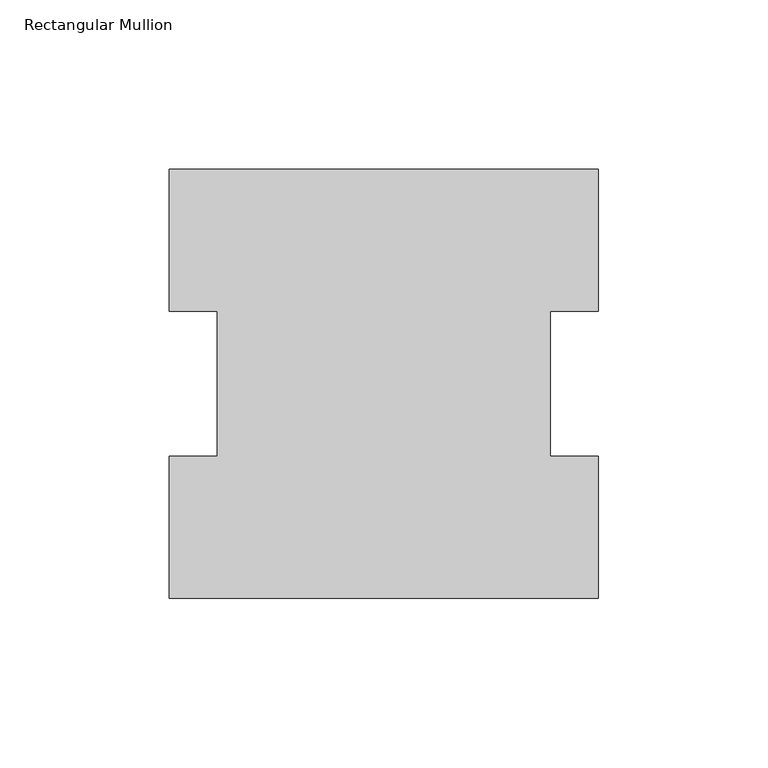
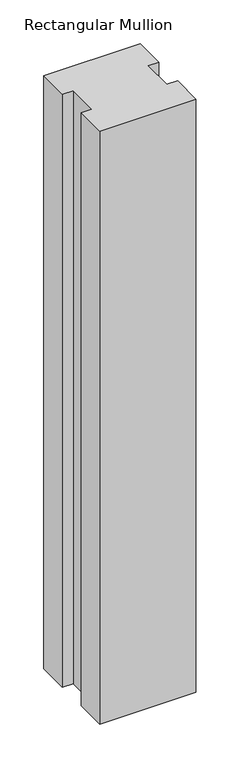
"""IFC4 building model written with IfcOpenShell, lengths in millimetres: member geometry, Rectangular Mullion."""

from ifc_helpers import new_model, si_unit, frame, origin, place, context, project, spatial, polyline, outline, extrude, source, transform, mapped, element, save


def rectangular_mullion_a6561c4b(model_context):
    return source(origin(), model_context, "Body", "SweptSolid", [
        extrude(outline(polyline([(-63.5, 126.7086937), (63.5, 126.7086937), (63.5, 84.6335938), (49.2125, 84.6335938), (49.2125, 41.7837937), (63.5, 41.7837937), (63.5, -0.2913063), (-63.5, -0.2913063), (-63.5, 41.7837937), (-49.2125, 41.7837937), (-49.2125, 84.6335938), (-63.5, 84.6335938), (-63.5, 126.7086937)])), frame((0.0, 0.0, -825.5176747), z_axis=(0.0, 0.0, 1.0), x_axis=(1.0, 0.0, 0.0)), (0.0, 0.0, 1.0), 825.5176747),
    ])


if __name__ == "__main__":
    model = new_model("IFC4")
    model_context = context("Model", 3, world=origin())
    ifc_project = project(units=[si_unit("LENGTHUNIT", "METRE", prefix="MILLI")], contexts=[model_context])
    site = spatial("IfcSite", under=ifc_project)
    building = spatial("IfcBuilding", under=site)
    placement = place(None, origin())
    rectangular_mullion_shape = rectangular_mullion_a6561c4b(model_context)
    element("IfcMember", 1, ObjectType="Rectangular Mullion", at=placement, inside=building, context=model_context, shape_type="MappedRepresentation", body=[
        mapped(rectangular_mullion_shape, transform((0.0, 0.0, 0.0), x_axis=(1.0, 0.0, 0.0), y_axis=(0.0, 1.0, 0.0), z_axis=(0.0, 0.0, 1.0))),
    ])
    save(model, "model.ifc")
